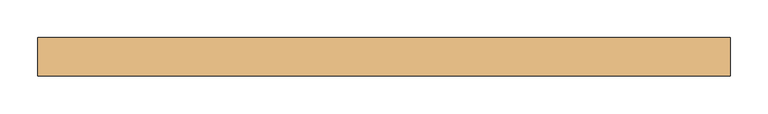
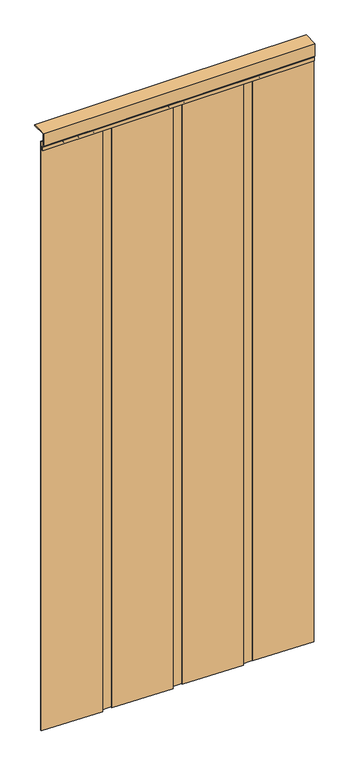
"""IFC4 building model written with IfcOpenShell, lengths in millimetres: door geometry."""

import ifcopenshell
import ifcopenshell.guid

model = None  # the IFC model being written
_history = None  # IfcOwnerHistory: only IFC2X3 demands one
_inside = {}  # id of a spatial element -> (the spatial element, [elements in it])
_under = {}  # id of a project, library or spatial element -> (it, [spatial elements below it])
_declared = {}  # id of a project -> (the project, [libraries it declares])
_typed = {}  # id of a type object -> (the type object, [elements of that type])
_made_of = {}  # id of a material, layer set ... -> (it, [elements and type objects made of it])


def new_model(schema):
    """Start an empty IFC model of exactly this schema.

    Asked for "IFC4X3", IfcOpenShell would pick the latest addendum, in which some entities
    have other attributes; the version numbers below select the first issue.
    IFC2X3 requires an IfcOwnerHistory on every rooted entity: one is made here for all.
    """
    global model, _history
    if schema == "IFC4X3":
        model = ifcopenshell.file(schema_version=(4, 3, 0, 0))
    else:
        model = ifcopenshell.file(schema=schema)
    _inside.clear()
    _under.clear()
    _declared.clear()
    _typed.clear()
    _made_of.clear()
    _history = None
    if model.schema == "IFC2X3":
        org = make("IfcOrganization", Name="unknown")
        user = make(
            "IfcPersonAndOrganization",
            ThePerson=make("IfcPerson", FamilyName="unknown"),
            TheOrganization=org,
        )
        app = make(
            "IfcApplication",
            ApplicationDeveloper=org,
            Version="unknown",
            ApplicationFullName="unknown",
            ApplicationIdentifier="unknown",
        )
        _history = make(
            "IfcOwnerHistory",
            OwningUser=user,
            OwningApplication=app,
            ChangeAction="ADDED",
            CreationDate=0,
        )
    return model


def make(cls, **values):
    """One entity of the class cls with the attributes given. An attribute that is None is left unset."""
    return model.create_entity(
        cls, **{name: value for name, value in values.items() if value is not None}
    )


def rooted(cls, **values):
    """An entity with a GlobalId (a new one), such as an element, a storey or a relation."""
    return make(cls, GlobalId=ifcopenshell.guid.new(), OwnerHistory=_history, **values)


def si_unit(unit_type, name, prefix=None):
    """IfcSIUnit, for example si_unit("LENGTHUNIT", "METRE", prefix="MILLI")."""
    return make("IfcSIUnit", UnitType=unit_type, Prefix=prefix, Name=name)


def assignment(units):
    """IfcUnitAssignment: the units of a project."""
    return None if units is None else make("IfcUnitAssignment", Units=units)


def point(xyz):
    """IfcCartesianPoint."""
    return None if xyz is None else make("IfcCartesianPoint", Coordinates=xyz)


def direction(xyz):
    """IfcDirection."""
    return None if xyz is None else make("IfcDirection", DirectionRatios=xyz)


def frame(location, z_axis=None, x_axis=None):
    """IfcAxis2Placement3D, a coordinate frame: its origin and axes. An axis left out is left unset."""
    return make(
        "IfcAxis2Placement3D",
        Location=point(location),
        Axis=direction(z_axis),
        RefDirection=direction(x_axis),
    )


def frame_2d(location, x_axis=None):
    """IfcAxis2Placement2D, a coordinate frame in the plane: its origin and x axis."""
    return make(
        "IfcAxis2Placement2D", Location=point(location), RefDirection=direction(x_axis)
    )


def origin():
    """The frame at (0, 0, 0) with its axes left unset."""
    return frame((0.0, 0.0, 0.0))


def origin_with_axes():
    """The frame at (0, 0, 0) with the z axis (0, 0, 1) and the x axis (1, 0, 0) written out."""
    return frame((0.0, 0.0, 0.0), z_axis=(0.0, 0.0, 1.0), x_axis=(1.0, 0.0, 0.0))


def place(relative_to, where):
    """IfcLocalPlacement: puts the frame where relative to a parent placement (None: the world)."""
    return make(
        "IfcLocalPlacement", PlacementRelTo=relative_to, RelativePlacement=where
    )


def context(
    kind, dimensions, precision=None, world=None, true_north=None, identifier=None
):
    """IfcGeometricRepresentationContext, for example the 3D "Model" context."""
    return make(
        "IfcGeometricRepresentationContext",
        ContextIdentifier=identifier,
        ContextType=kind,
        CoordinateSpaceDimension=dimensions,
        Precision=precision,
        WorldCoordinateSystem=world,
        TrueNorth=true_north,
    )


def project(units=None, contexts=None):
    """IfcProject with its units and contexts."""
    return rooted(
        "IfcProject",
        Name="project",
        RepresentationContexts=contexts,
        UnitsInContext=assignment(units),
    )


def spatial(cls, under=None, at=None, **own):
    """A site, building, storey or space (cls), placed at a placement, below another one or the project."""
    s = rooted(cls, ObjectPlacement=at, **own)
    if under is not None:
        _under.setdefault(under.id(), (under, []))[1].append(s)
    return s


def polyline(points):
    """IfcPolyline through the points."""
    return make("IfcPolyline", Points=[point(p) for p in points])


def circle_curve(where, radius):
    """IfcCircle in the frame where."""
    return make("IfcCircle", Position=where, Radius=radius)


def trimmed(basis, trim1, trim2, sense, master):
    """IfcTrimmedCurve: the piece of a basis curve between two trims."""
    return make(
        "IfcTrimmedCurve",
        BasisCurve=basis,
        Trim1=trim1,
        Trim2=trim2,
        SenseAgreement=sense,
        MasterRepresentation=master,
    )


def segment(curve, same_sense, transition):
    """IfcCompositeCurveSegment."""
    return make(
        "IfcCompositeCurveSegment",
        Transition=transition,
        SameSense=same_sense,
        ParentCurve=curve,
    )


def composite_curve(segments, self_intersect=None):
    """IfcCompositeCurve: segments joined end to end."""
    return make("IfcCompositeCurve", Segments=segments, SelfIntersect=self_intersect)


def outline(outer, holes=None, kind="AREA"):
    """IfcArbitraryClosedProfileDef: a profile drawn as a closed curve; with holes, ...WithVoids."""
    if holes is None:
        return make("IfcArbitraryClosedProfileDef", ProfileType=kind, OuterCurve=outer)
    return make(
        "IfcArbitraryProfileDefWithVoids",
        ProfileType=kind,
        OuterCurve=outer,
        InnerCurves=holes,
    )


def extrude(swept, where, along, depth):
    """IfcExtrudedAreaSolid: the profile swept, set in the frame where, extruded along a direction by depth."""
    return make(
        "IfcExtrudedAreaSolid",
        SweptArea=swept,
        Position=where,
        ExtrudedDirection=direction(along),
        Depth=depth,
    )


def shape(context_of_items, identifier, shape_type, items):
    """IfcShapeRepresentation: the items that make up one representation, for example the "Body"."""
    return make(
        "IfcShapeRepresentation",
        ContextOfItems=context_of_items,
        RepresentationIdentifier=identifier,
        RepresentationType=shape_type,
        Items=items,
    )


def source(mapping_origin, context_of_items, identifier, shape_type, items):
    """IfcRepresentationMap: a shape defined once, which mapped items show again and again."""
    return make(
        "IfcRepresentationMap",
        MappingOrigin=mapping_origin,
        MappedRepresentation=shape(context_of_items, identifier, shape_type, items),
    )


def transform(
    local_origin,
    x_axis=None,
    y_axis=None,
    z_axis=None,
    scale=None,
    scale2=None,
    scale3=None,
    uniform=True,
):
    """IfcCartesianTransformationOperator3D, or its non-uniform kind. x_axis, y_axis, z_axis: its Axis1, 2, 3."""
    if uniform:
        return make(
            "IfcCartesianTransformationOperator3D",
            Axis1=direction(x_axis),
            Axis2=direction(y_axis),
            LocalOrigin=point(local_origin),
            Scale=scale,
            Axis3=direction(z_axis),
        )
    return make(
        "IfcCartesianTransformationOperator3DnonUniform",
        Axis1=direction(x_axis),
        Axis2=direction(y_axis),
        LocalOrigin=point(local_origin),
        Scale=scale,
        Axis3=direction(z_axis),
        Scale2=scale2,
        Scale3=scale3,
    )


def mapped(mapping_source, mapping_target):
    """IfcMappedItem: shows the shape of a source again, moved by a transform."""
    return make(
        "IfcMappedItem", MappingSource=mapping_source, MappingTarget=mapping_target
    )


def made_of(thing, what):
    """Note that an element or type object is made of a material, layer set ...; save() writes the relation."""
    if what is not None:
        _made_of.setdefault(what.id(), (what, []))[1].append(thing)
    return thing


def element(
    cls,
    number,
    at=None,
    inside=None,
    cuts=None,
    type_object=None,
    material=None,
    context=None,
    identifier="Body",
    shape_type=None,
    held_by="IfcProductDefinitionShape",
    body=None,
    shapes=None,
    **own,
):
    """One element of the class cls, such as IfcWall. Its Tag is "e" and its number.

    at: its placement. inside: the storey or other place that contains it. cuts: it is an
    opening in that element (IfcRelVoidsElement). A single representation is given by context,
    identifier, shape_type and body (its items); several are given by shapes. held_by: the class
    of the entity that holds the representations. save() writes the other relations.
    """
    e = rooted(cls, Tag="e%d" % number, ObjectPlacement=at, **own)
    if body is not None:
        shapes = [shape(context, identifier, shape_type, body)]
    if shapes is not None:
        e.Representation = make(held_by, Representations=shapes)
    if inside is not None:
        _inside.setdefault(inside.id(), (inside, []))[1].append(e)
    if cuts is not None:
        rooted(
            "IfcRelVoidsElement", RelatingBuildingElement=cuts, RelatedOpeningElement=e
        )
    if type_object is not None:
        _typed.setdefault(type_object.id(), (type_object, []))[1].append(e)
    return made_of(e, material)


def aggregate(whole, parts):
    """IfcRelAggregates: a whole, such as a stair, and the parts it consists of."""
    return rooted("IfcRelAggregates", RelatingObject=whole, RelatedObjects=parts)


def save(model, path):
    """Write the relations noted so far, then the file.

    IfcRelAggregates (storeys below a building ...), IfcRelContainedInSpatialStructure (elements
    in a storey), IfcRelDefinesByType, IfcRelAssociatesMaterial and IfcRelDeclares: one each for
    every whole, place, type object, material and project.
    """
    for whole, parts in _under.values():
        aggregate(whole, parts)
    for where, things in _inside.values():
        rooted(
            "IfcRelContainedInSpatialStructure",
            RelatedElements=things,
            RelatingStructure=where,
        )
    for kind, things in _typed.values():
        rooted("IfcRelDefinesByType", RelatedObjects=things, RelatingType=kind)
    for what, things in _made_of.values():
        rooted("IfcRelAssociatesMaterial", RelatedObjects=things, RelatingMaterial=what)
    for by, libraries in _declared.values():
        rooted("IfcRelDeclares", RelatingContext=by, RelatedDefinitions=libraries)
    model.write(path)


def door_f3e9f34c(model_context):
    return source(origin(), model_context, "Body", "SweptSolid", [
        extrude(outline(polyline([(1531.2906968, -893.5972938), (1531.2906968, -890.4222938), (1734.4906968, -884.0722938), (1734.4906968, -887.2472938), (1531.2906968, -893.5972938)])), origin_with_axes(), (0.0, 0.0, 1.0), 2095.5),
        extrude(outline(polyline([(1853.0240301, -899.1535438), (1649.8240301, -892.8035438), (1649.8240301, -889.6285438), (1853.0240301, -895.9785438), (1853.0240301, -899.1535438)])), origin_with_axes(), (0.0, 0.0, 1.0), 2095.5),
        extrude(outline(polyline([(1785.2906968, -893.5972938), (1785.2906968, -890.4222938), (1988.4906968, -884.0722938), (1988.4906968, -887.2472938), (1785.2906968, -893.5972938)])), origin_with_axes(), (0.0, 0.0, 1.0), 2095.5),
        extrude(outline(polyline([(1277.2906968, -893.5972938), (1277.2906968, -890.4222938), (1480.4906968, -884.0722938), (1480.4906968, -887.2472938), (1277.2906968, -893.5972938)])), origin_with_axes(), (0.0, 0.0, 1.0), 2095.5),
        extrude(outline(polyline([(1615.9573635, -899.1535438), (1412.7573635, -892.8035438), (1412.7573635, -889.6285438), (1615.9573635, -895.9785438), (1615.9573635, -899.1535438)])), origin_with_axes(), (0.0, 0.0, 1.0), 2095.5),
        extrude(outline(polyline([(2090.0906968, -899.1535438), (1886.8906968, -892.8035438), (1886.8906968, -889.6285438), (2090.0906968, -895.9785438), (2090.0906968, -899.1535438)])), origin_with_axes(), (0.0, 0.0, 1.0), 2095.5),
        extrude(outline(polyline([(1378.8906968, -899.1535438), (1175.6906968, -892.8035438), (1175.6906968, -889.6285438), (1378.8906968, -895.9785438), (1378.8906968, -899.1535438)])), origin_with_axes(), (0.0, 0.0, 1.0), 2095.5),
        extrude(outline(composite_curve([segment(trimmed(circle_curve(frame_2d((2076.4060012, 2064.6906968)), 6.35), [point((2076.4060012, 2058.3406968))], [point((2076.4060012, 2071.0406968))], False, "CARTESIAN"), True, "CONTINUOUS"), segment(trimmed(circle_curve(frame_2d((2076.4060012, 2064.6906968)), 6.35), [point((2076.4060012, 2071.0406968))], [point((2076.4060012, 2058.3406968))], False, "CARTESIAN"), True, "CONTINUOUS")], self_intersect=False)), frame((0.0, -899.1535438, 0.0), z_axis=(0.0, 1.0, 0.0), x_axis=(0.0, 0.0, 1.0)), (0.0, 0.0, 1.0), 19.05),
        extrude(outline(composite_curve([segment(trimmed(circle_curve(frame_2d((2076.4060012, 2013.8906968)), 6.35), [point((2076.4060012, 2007.5406968))], [point((2076.4060012, 2020.2406968))], False, "CARTESIAN"), True, "CONTINUOUS"), segment(trimmed(circle_curve(frame_2d((2076.4060012, 2013.8906968)), 6.35), [point((2076.4060012, 2020.2406968))], [point((2076.4060012, 2007.5406968))], False, "CARTESIAN"), True, "CONTINUOUS")], self_intersect=False)), frame((0.0, -899.1535438, 0.0), z_axis=(0.0, 1.0, 0.0), x_axis=(0.0, 0.0, 1.0)), (0.0, 0.0, 1.0), 19.05),
        extrude(outline(composite_curve([segment(trimmed(circle_curve(frame_2d((2076.4060012, 1963.0906968)), 6.35), [point((2076.4060012, 1956.7406968))], [point((2076.4060012, 1969.4406968))], False, "CARTESIAN"), True, "CONTINUOUS"), segment(trimmed(circle_curve(frame_2d((2076.4060012, 1963.0906968)), 6.35), [point((2076.4060012, 1969.4406968))], [point((2076.4060012, 1956.7406968))], False, "CARTESIAN"), True, "CONTINUOUS")], self_intersect=False)), frame((0.0, -899.1535438, 0.0), z_axis=(0.0, 1.0, 0.0), x_axis=(0.0, 0.0, 1.0)), (0.0, 0.0, 1.0), 19.05),
        extrude(outline(composite_curve([segment(trimmed(circle_curve(frame_2d((2076.4060012, 1912.2906968)), 6.35), [point((2076.4060012, 1905.9406968))], [point((2076.4060012, 1918.6406968))], False, "CARTESIAN"), True, "CONTINUOUS"), segment(trimmed(circle_curve(frame_2d((2076.4060012, 1912.2906968)), 6.35), [point((2076.4060012, 1918.6406968))], [point((2076.4060012, 1905.9406968))], False, "CARTESIAN"), True, "CONTINUOUS")], self_intersect=False)), frame((0.0, -899.1535438, 0.0), z_axis=(0.0, 1.0, 0.0), x_axis=(0.0, 0.0, 1.0)), (0.0, 0.0, 1.0), 19.05),
        extrude(outline(composite_curve([segment(trimmed(circle_curve(frame_2d((2076.4060012, 1861.4906968)), 6.35), [point((2076.4060012, 1855.1406968))], [point((2076.4060012, 1867.8406968))], False, "CARTESIAN"), True, "CONTINUOUS"), segment(trimmed(circle_curve(frame_2d((2076.4060012, 1861.4906968)), 6.35), [point((2076.4060012, 1867.8406968))], [point((2076.4060012, 1855.1406968))], False, "CARTESIAN"), True, "CONTINUOUS")], self_intersect=False)), frame((0.0, -899.1535438, 0.0), z_axis=(0.0, 1.0, 0.0), x_axis=(0.0, 0.0, 1.0)), (0.0, 0.0, 1.0), 19.05),
        extrude(outline(composite_curve([segment(trimmed(circle_curve(frame_2d((2076.4060012, 1810.6906968)), 6.35), [point((2076.4060012, 1804.3406968))], [point((2076.4060012, 1817.0406968))], False, "CARTESIAN"), True, "CONTINUOUS"), segment(trimmed(circle_curve(frame_2d((2076.4060012, 1810.6906968)), 6.35), [point((2076.4060012, 1817.0406968))], [point((2076.4060012, 1804.3406968))], False, "CARTESIAN"), True, "CONTINUOUS")], self_intersect=False)), frame((0.0, -899.1535438, 0.0), z_axis=(0.0, 1.0, 0.0), x_axis=(0.0, 0.0, 1.0)), (0.0, 0.0, 1.0), 19.05),
        extrude(outline(composite_curve([segment(trimmed(circle_curve(frame_2d((2076.4060012, 1759.8906968)), 6.35), [point((2076.4060012, 1753.5406968))], [point((2076.4060012, 1766.2406968))], False, "CARTESIAN"), True, "CONTINUOUS"), segment(trimmed(circle_curve(frame_2d((2076.4060012, 1759.8906968)), 6.35), [point((2076.4060012, 1766.2406968))], [point((2076.4060012, 1753.5406968))], False, "CARTESIAN"), True, "CONTINUOUS")], self_intersect=False)), frame((0.0, -899.1535438, 0.0), z_axis=(0.0, 1.0, 0.0), x_axis=(0.0, 0.0, 1.0)), (0.0, 0.0, 1.0), 19.05),
        extrude(outline(composite_curve([segment(trimmed(circle_curve(frame_2d((2076.4060012, 1709.0906968)), 6.35), [point((2076.4060012, 1702.7406968))], [point((2076.4060012, 1715.4406968))], False, "CARTESIAN"), True, "CONTINUOUS"), segment(trimmed(circle_curve(frame_2d((2076.4060012, 1709.0906968)), 6.35), [point((2076.4060012, 1715.4406968))], [point((2076.4060012, 1702.7406968))], False, "CARTESIAN"), True, "CONTINUOUS")], self_intersect=False)), frame((0.0, -899.1535438, 0.0), z_axis=(0.0, 1.0, 0.0), x_axis=(0.0, 0.0, 1.0)), (0.0, 0.0, 1.0), 19.05),
        extrude(outline(composite_curve([segment(trimmed(circle_curve(frame_2d((2076.4060012, 1658.2906968)), 6.35), [point((2076.4060012, 1651.9406968))], [point((2076.4060012, 1664.6406968))], False, "CARTESIAN"), True, "CONTINUOUS"), segment(trimmed(circle_curve(frame_2d((2076.4060012, 1658.2906968)), 6.35), [point((2076.4060012, 1664.6406968))], [point((2076.4060012, 1651.9406968))], False, "CARTESIAN"), True, "CONTINUOUS")], self_intersect=False)), frame((0.0, -899.1535438, 0.0), z_axis=(0.0, 1.0, 0.0), x_axis=(0.0, 0.0, 1.0)), (0.0, 0.0, 1.0), 19.05),
        extrude(outline(composite_curve([segment(trimmed(circle_curve(frame_2d((2076.4060012, 1607.4906968)), 6.35), [point((2076.4060012, 1601.1406968))], [point((2076.4060012, 1613.8406968))], False, "CARTESIAN"), True, "CONTINUOUS"), segment(trimmed(circle_curve(frame_2d((2076.4060012, 1607.4906968)), 6.35), [point((2076.4060012, 1613.8406968))], [point((2076.4060012, 1601.1406968))], False, "CARTESIAN"), True, "CONTINUOUS")], self_intersect=False)), frame((0.0, -899.1535438, 0.0), z_axis=(0.0, 1.0, 0.0), x_axis=(0.0, 0.0, 1.0)), (0.0, 0.0, 1.0), 19.05),
        extrude(outline(composite_curve([segment(trimmed(circle_curve(frame_2d((2076.4060012, 1556.6906968)), 6.35), [point((2076.4060012, 1550.3406968))], [point((2076.4060012, 1563.0406968))], False, "CARTESIAN"), True, "CONTINUOUS"), segment(trimmed(circle_curve(frame_2d((2076.4060012, 1556.6906968)), 6.35), [point((2076.4060012, 1563.0406968))], [point((2076.4060012, 1550.3406968))], False, "CARTESIAN"), True, "CONTINUOUS")], self_intersect=False)), frame((0.0, -899.1535438, 0.0), z_axis=(0.0, 1.0, 0.0), x_axis=(0.0, 0.0, 1.0)), (0.0, 0.0, 1.0), 19.05),
        extrude(outline(composite_curve([segment(trimmed(circle_curve(frame_2d((2076.4060012, 1505.8906968)), 6.35), [point((2076.4060012, 1499.5406968))], [point((2076.4060012, 1512.2406968))], False, "CARTESIAN"), True, "CONTINUOUS"), segment(trimmed(circle_curve(frame_2d((2076.4060012, 1505.8906968)), 6.35), [point((2076.4060012, 1512.2406968))], [point((2076.4060012, 1499.5406968))], False, "CARTESIAN"), True, "CONTINUOUS")], self_intersect=False)), frame((0.0, -899.1535438, 0.0), z_axis=(0.0, 1.0, 0.0), x_axis=(0.0, 0.0, 1.0)), (0.0, 0.0, 1.0), 19.05),
        extrude(outline(composite_curve([segment(trimmed(circle_curve(frame_2d((2076.4060012, 1455.0906968)), 6.35), [point((2076.4060012, 1448.7406968))], [point((2076.4060012, 1461.4406968))], False, "CARTESIAN"), True, "CONTINUOUS"), segment(trimmed(circle_curve(frame_2d((2076.4060012, 1455.0906968)), 6.35), [point((2076.4060012, 1461.4406968))], [point((2076.4060012, 1448.7406968))], False, "CARTESIAN"), True, "CONTINUOUS")], self_intersect=False)), frame((0.0, -899.1535438, 0.0), z_axis=(0.0, 1.0, 0.0), x_axis=(0.0, 0.0, 1.0)), (0.0, 0.0, 1.0), 19.05),
        extrude(outline(composite_curve([segment(trimmed(circle_curve(frame_2d((2076.4060012, 1404.2906968)), 6.35), [point((2076.4060012, 1397.9406968))], [point((2076.4060012, 1410.6406968))], False, "CARTESIAN"), True, "CONTINUOUS"), segment(trimmed(circle_curve(frame_2d((2076.4060012, 1404.2906968)), 6.35), [point((2076.4060012, 1410.6406968))], [point((2076.4060012, 1397.9406968))], False, "CARTESIAN"), True, "CONTINUOUS")], self_intersect=False)), frame((0.0, -899.1535438, 0.0), z_axis=(0.0, 1.0, 0.0), x_axis=(0.0, 0.0, 1.0)), (0.0, 0.0, 1.0), 19.05),
        extrude(outline(composite_curve([segment(trimmed(circle_curve(frame_2d((2076.4060012, 1353.4906968)), 6.35), [point((2076.4060012, 1347.1406968))], [point((2076.4060012, 1359.8406968))], False, "CARTESIAN"), True, "CONTINUOUS"), segment(trimmed(circle_curve(frame_2d((2076.4060012, 1353.4906968)), 6.35), [point((2076.4060012, 1359.8406968))], [point((2076.4060012, 1347.1406968))], False, "CARTESIAN"), True, "CONTINUOUS")], self_intersect=False)), frame((0.0, -899.1535438, 0.0), z_axis=(0.0, 1.0, 0.0), x_axis=(0.0, 0.0, 1.0)), (0.0, 0.0, 1.0), 19.05),
        extrude(outline(composite_curve([segment(trimmed(circle_curve(frame_2d((2076.4060012, 1302.6906968)), 6.35), [point((2076.4060012, 1296.3406968))], [point((2076.4060012, 1309.0406968))], False, "CARTESIAN"), True, "CONTINUOUS"), segment(trimmed(circle_curve(frame_2d((2076.4060012, 1302.6906968)), 6.35), [point((2076.4060012, 1309.0406968))], [point((2076.4060012, 1296.3406968))], False, "CARTESIAN"), True, "CONTINUOUS")], self_intersect=False)), frame((0.0, -899.1535438, 0.0), z_axis=(0.0, 1.0, 0.0), x_axis=(0.0, 0.0, 1.0)), (0.0, 0.0, 1.0), 19.05),
        extrude(outline(composite_curve([segment(trimmed(circle_curve(frame_2d((2076.4060012, 1251.8906968)), 6.35), [point((2076.4060012, 1245.5406968))], [point((2076.4060012, 1258.2406968))], False, "CARTESIAN"), True, "CONTINUOUS"), segment(trimmed(circle_curve(frame_2d((2076.4060012, 1251.8906968)), 6.35), [point((2076.4060012, 1258.2406968))], [point((2076.4060012, 1245.5406968))], False, "CARTESIAN"), True, "CONTINUOUS")], self_intersect=False)), frame((0.0, -899.1535438, 0.0), z_axis=(0.0, 1.0, 0.0), x_axis=(0.0, 0.0, 1.0)), (0.0, 0.0, 1.0), 19.05),
        extrude(outline(composite_curve([segment(trimmed(circle_curve(frame_2d((2076.4060012, 1201.0906968)), 6.35), [point((2076.4060012, 1194.7406968))], [point((2076.4060012, 1207.4406968))], False, "CARTESIAN"), True, "CONTINUOUS"), segment(trimmed(circle_curve(frame_2d((2076.4060012, 1201.0906968)), 6.35), [point((2076.4060012, 1207.4406968))], [point((2076.4060012, 1194.7406968))], False, "CARTESIAN"), True, "CONTINUOUS")], self_intersect=False)), frame((0.0, -899.1535438, 0.0), z_axis=(0.0, 1.0, 0.0), x_axis=(0.0, 0.0, 1.0)), (0.0, 0.0, 1.0), 19.05),
        extrude(outline(polyline([(-855.1707542, 2133.6), (-855.1707542, 2130.425), (-902.8275014, 2130.425), (-902.8275014, 2089.1805476), (-899.1535438, 2083.9335925), (-899.1535438, 2070.1), (-902.3285438, 2070.1), (-902.3285438, 2082.8), (-905.9707542, 2088.0016155), (-905.9707542, 2133.6), (-855.1707542, 2133.6)])), frame((1175.6906968, 0.0, 0.0), z_axis=(1.0, 0.0, 0.0), x_axis=(0.0, 1.0, 0.0)), (0.0, 0.0, 1.0), 914.4),
    ])


if __name__ == "__main__":
    model = new_model("IFC4")
    model_context = context("Model", 3, world=origin())
    ifc_project = project(units=[si_unit("LENGTHUNIT", "METRE", prefix="MILLI")], contexts=[model_context])
    site = spatial("IfcSite", under=ifc_project)
    building = spatial("IfcBuilding", under=site)
    placement = place(None, origin())
    door_shape = door_f3e9f34c(model_context)
    element("IfcDoor", 1, at=placement, inside=building, context=model_context, shape_type="MappedRepresentation", body=[
        mapped(door_shape, transform((0.0, 0.0, 0.0), x_axis=(1.0, 0.0, 0.0), y_axis=(0.0, 1.0, 0.0), z_axis=(0.0, 0.0, 1.0))),
    ])
    save(model, "model.ifc")
